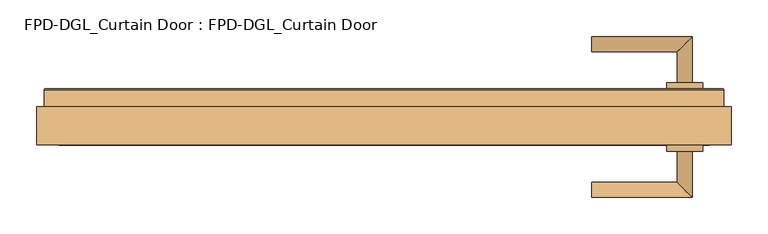
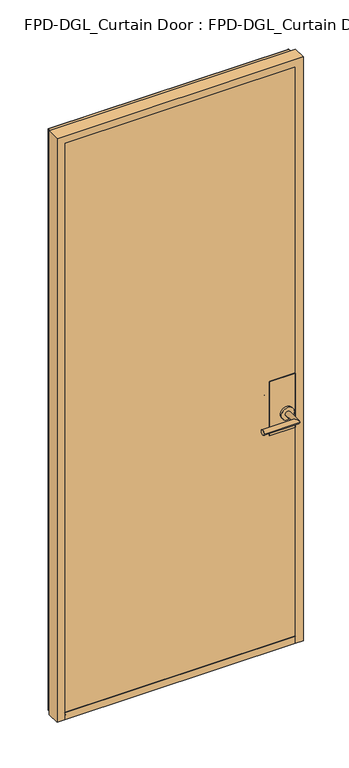
"""IFC4 building model written with IfcOpenShell, lengths in millimetres: door geometry, FPD-DGL_Curtain Door : FPD-DGL_Curtain Door."""

from ifc_helpers import new_model, si_unit, point, frame, frame_2d, origin, place, context, project, spatial, polyline, circle_curve, ellipse_curve, trimmed, segment, composite_curve, outline, extrude, source, transform, mapped, element, save
from ifc_brep_helpers import plane_surface, cylinder_surface, revolved_surface, advanced_brep


def fpd_dgl_curtain_door_fpd_dgl_curtain_door_65e005be(model_context):
    return source(origin(), model_context, "Body", "SolidModel", [
        advanced_brep(
        [(282.7015793, 89.1684274, 965.2), (282.7015793, 109.240371, 965.2), (399.5512198, 89.1684274, 965.2), (419.6231634, 109.240371, 965.2), (399.5512198, 46.5341787, 965.2), (419.6231634, 46.5341787, 965.2)],
        [
            (0, 1, circle_curve(frame((282.7015793, 99.2043992, 965.2), z_axis=(-1.0, 0.0, 0.0), x_axis=(0.0, 1.0, 0.0)), 10.0359718)),
            (1, 0, circle_curve(frame((282.7015793, 99.2043992, 965.2), z_axis=(-1.0, 0.0, 0.0), x_axis=(0.0, 1.0, 0.0)), 10.0359718)),
            (0, 2),
            (2, 3, ellipse_curve(frame((409.5871916, 99.2043992, 965.2), z_axis=(-0.7071067811865464, 0.7071067811865488, 0.0), x_axis=(-0.7071067811865487, -0.7071067811865464, 0.0)), 14.1930074, 10.0359718)),
            (3, 1),
            (3, 2, ellipse_curve(frame((409.5871916, 99.2043992, 965.2), z_axis=(-0.7071067811865464, 0.7071067811865488, 0.0), x_axis=(-0.7071067811865487, -0.7071067811865464, 0.0)), 14.1930074, 10.0359718)),
            (4, 5, circle_curve(frame((409.5871916, 46.5341787, 965.2), z_axis=(0.0, -1.0, 0.0), x_axis=(1.0, 0.0, 0.0)), 10.0359718)),
            (5, 4, circle_curve(frame((409.5871916, 46.5341787, 965.2), z_axis=(0.0, -1.0, 0.0), x_axis=(1.0, 0.0, 0.0)), 10.0359718)),
            (2, 4),
            (5, 3),
        ],
        [
            plane_surface(frame((282.7015793, 99.2043992, 965.2), z_axis=(-1.0, 0.0, 0.0), x_axis=(0.0, 0.0, 1.0))),
            cylinder_surface(frame((282.7015793, 99.2043992, 965.2), z_axis=(-1.0, 0.0, 0.0), x_axis=(0.0, 1.0, 0.0)), 10.0359718),
            plane_surface(frame((409.5871916, 46.5341787, 965.2), z_axis=(0.0, -1.0, 0.0), x_axis=(0.0, 0.0, 1.0))),
            cylinder_surface(frame((409.5871916, 99.2043992, 965.2), z_axis=(0.0, 1.0, 0.0), x_axis=(1.0, 0.0, 0.0)), 10.0359718),
        ],
        [
            (0, [[1, 2]]),
            (1, [[-1, 3, 4, 5]]),
            (1, [[-2, -5, 6, -3]]),
            (2, [[7, 8]]),
            (3, [[-4, 9, -8, 10]]),
            (3, [[-6, -10, -7, -9]]),
        ],
    ),
        advanced_brep(
        [(399.5512198, -46.3299066, 965.2), (419.6231634, -46.3299066, 965.2), (399.5512198, -88.9641553, 965.2), (419.6231634, -109.0360989, 965.2), (282.7015793, -88.9641553, 965.2), (282.7015793, -109.0360989, 965.2)],
        [
            (0, 1, circle_curve(frame((409.5871916, -46.3299066, 965.2), z_axis=(0.0, 1.0, 0.0), x_axis=(1.0, 0.0, 0.0)), 10.0359718)),
            (1, 0, circle_curve(frame((409.5871916, -46.3299066, 965.2), z_axis=(0.0, 1.0, 0.0), x_axis=(1.0, 0.0, 0.0)), 10.0359718)),
            (0, 2),
            (2, 3, ellipse_curve(frame((409.5871916, -99.0001271, 965.2), z_axis=(0.7071067811865487, 0.7071067811865464, 0.0), x_axis=(-0.7071067811865464, 0.7071067811865487, 0.0)), 14.1930074, 10.0359718)),
            (3, 1),
            (3, 2, ellipse_curve(frame((409.5871916, -99.0001271, 965.2), z_axis=(0.7071067811865487, 0.7071067811865464, 0.0), x_axis=(-0.7071067811865464, 0.7071067811865487, 0.0)), 14.1930074, 10.0359718)),
            (4, 5, circle_curve(frame((282.7015793, -99.0001271, 965.2), z_axis=(-1.0, 0.0, 0.0), x_axis=(0.0, -1.0, 0.0)), 10.0359718)),
            (5, 4, circle_curve(frame((282.7015793, -99.0001271, 965.2), z_axis=(-1.0, 0.0, 0.0), x_axis=(0.0, -1.0, 0.0)), 10.0359718)),
            (2, 4),
            (5, 3),
        ],
        [
            plane_surface(frame((409.5871916, -46.3299066, 965.2), z_axis=(0.0, 1.0, 0.0), x_axis=(0.0, 0.0, 1.0))),
            cylinder_surface(frame((409.5871916, -46.3299066, 965.2), z_axis=(0.0, 1.0, 0.0), x_axis=(1.0, 0.0, 0.0)), 10.0359718),
            plane_surface(frame((282.7015793, -99.0001271, 965.2), z_axis=(-1.0, 0.0, 0.0), x_axis=(0.0, 0.0, 1.0))),
            cylinder_surface(frame((409.5871916, -99.0001271, 965.2), z_axis=(1.0, 0.0, 0.0), x_axis=(0.0, -1.0, 0.0)), 10.0359718),
        ],
        [
            (0, [[1, 2]]),
            (1, [[-1, 3, 4, 5]]),
            (1, [[-2, -5, 6, -3]]),
            (2, [[7, 8]]),
            (3, [[-4, 9, -8, 10]]),
            (3, [[-6, -10, -7, -9]]),
        ],
    ),
        extrude(outline(composite_curve([segment(trimmed(circle_curve(frame_2d((965.2, 409.5871916)), 24.60625), [point((965.2, 384.9809416))], [point((965.2, 434.1934416))], False, "CARTESIAN"), True, "CONTINUOUS"), segment(trimmed(circle_curve(frame_2d((965.2, 409.5871916)), 24.60625), [point((965.2, 434.1934416))], [point((965.2, 384.9809416))], False, "CARTESIAN"), True, "CONTINUOUS")], self_intersect=False)), frame((0.0, -46.3299066, 0.0), z_axis=(0.0, 1.0, 0.0), x_axis=(0.0, 0.0, 1.0)), (0.0, 0.0, 1.0), 8.3298107),
        extrude(outline(composite_curve([segment(trimmed(circle_curve(frame_2d((965.2, 409.5871916)), 24.60625), [point((965.2, 384.9809416))], [point((965.2, 434.1934416))], False, "CARTESIAN"), True, "CONTINUOUS"), segment(trimmed(circle_curve(frame_2d((965.2, 409.5871916)), 24.60625), [point((965.2, 434.1934416))], [point((965.2, 384.9809416))], False, "CARTESIAN"), True, "CONTINUOUS")], self_intersect=False)), frame((0.0, 38.1999024, 0.0), z_axis=(0.0, 1.0, 0.0), x_axis=(0.0, 0.0, 1.0)), (0.0, 0.0, 1.0), 8.3342763),
        extrude(outline(polyline([(443.0872515, -38.0000959), (343.0871389, -38.0000959), (343.0871389, -36.6000989), (443.0872515, -36.6000989), (443.0872515, -38.0000959)])), frame((0.0, 0.0, 893.55), z_axis=(0.0, 0.0, 1.0), x_axis=(1.0, 0.0, 0.0)), (0.0, 0.0, 1.0), 220.0),
        extrude(outline(polyline([(443.0872515, 36.7999054), (343.0871389, 36.7999054), (343.0871389, 38.1999024), (443.0872515, 38.1999024), (443.0872515, 36.7999054)])), frame((0.0, 0.0, 893.55), z_axis=(0.0, 0.0, 1.0), x_axis=(1.0, 0.0, 0.0)), (0.0, 0.0, 1.0), 220.0),
        extrude(outline(polyline([(-453.6834226, 28.1030481), (-453.6834226, 36.7999054), (453.6834226, 36.7999054), (453.6834226, 28.1030481), (-453.6834226, 28.1030481)])), frame((0.0, 0.0, 35.2749614), z_axis=(0.0, 0.0, 1.0), x_axis=(1.0, 0.0, 0.0)), (0.0, 0.0, 1.0), 2331.3372342),
        extrude(outline(polyline([(453.6834226, -28.0762398), (453.6834226, -36.7730971), (-453.6834226, -36.7730971), (-453.6834226, -28.0762398), (453.6834226, -28.0762398)])), frame((0.0, 0.0, 35.2749614), z_axis=(0.0, 0.0, 1.0), x_axis=(1.0, 0.0, 0.0)), (0.0, 0.0, 1.0), 2331.3372342),
        advanced_brep(
        [(473.076415, -38.0731917, 15.875), (443.0872515, -38.0731917, 15.875), (443.0872515, -36.773661, 15.875), (453.6834228, -36.773661, 15.875), (453.6834228, -28.076804, 15.875), (443.0872515, -28.076804, 15.875), (443.0872515, 28.1030481, 15.875), (453.6834226, 28.1030481, 15.875), (453.6834226, 36.7999054, 15.875), (443.0872515, 36.7999054, 15.875), (443.0872515, 38.0994357, 15.875), (461.9620416, 38.0994357, 15.875), (462.7617527, 37.2997247, 15.875), (462.7617527, 13.9501736, 15.875), (473.076415, 13.9501736, 15.875), (473.076415, -38.0731917, 2386.0051878), (-473.076415, -38.0731917, 2386.0051878), (-473.076415, -38.0731917, 15.875), (-443.0872515, -38.0731917, 15.875), (-443.0872515, -38.0731917, 2356.0160244), (443.0872515, -38.0731917, 2356.0160244), (443.0872515, -36.773661, 2356.0160244), (-443.0872515, -36.773661, 2356.0160244), (-443.0872515, -36.773661, 15.875), (-453.6834228, -36.773661, 15.875), (-453.6834228, -36.773661, 2366.6121956), (453.6834228, -36.773661, 2366.6121956), (453.6834228, -28.076804, 2366.6121956), (-453.6834228, -28.076804, 2366.6121956), (-453.6834228, -28.076804, 15.875), (-443.0872515, -28.076804, 15.875), (-443.0872515, -28.076804, 2356.0160244), (443.0872515, -28.076804, 2356.0160244), (443.0872515, 28.1030481, 2356.0160244), (-443.0872515, 28.1030481, 2356.0160244), (-443.0872515, 28.1030481, 15.875), (-453.6834226, 28.1030481, 15.875), (-453.6834226, 28.1030481, 2366.6121955), (453.6834226, 28.1030481, 2366.6121955), (453.6834226, 36.7999054, 2366.6121955), (-453.6834226, 36.7999054, 2366.6121955), (-453.6834226, 36.7999054, 15.875), (-443.0872515, 36.7999054, 15.875), (-443.0872515, 36.7999054, 2356.0160244), (443.0872515, 36.7999054, 2356.0160244), (443.0872515, 38.0994357, 2356.0160244), (-443.0872515, 38.0994357, 2356.0160244), (-443.0872515, 38.0994357, 15.875), (-461.9620416, 38.0994357, 15.875), (-461.9620416, 38.0994357, 2374.8908145), (461.9620416, 38.0994357, 2374.8908145), (462.7617527, 37.2997247, 2375.6905255), (462.7617527, 13.9501736, 2375.6905255), (-462.7617527, 13.9501736, 2375.6905255), (-462.7617527, 13.9501736, 15.875), (-473.076415, 13.9501736, 15.875), (-473.076415, 13.9501736, 2386.0051878), (473.076415, 13.9501736, 2386.0051878), (-462.7617527, 37.2997247, 15.875), (-462.7617527, 37.2997247, 2375.6905255)],
        [
            (0, 1),
            (1, 2),
            (2, 3),
            (3, 4),
            (4, 5),
            (5, 6),
            (6, 7),
            (7, 8),
            (8, 9),
            (9, 10),
            (10, 11),
            (11, 12, circle_curve(frame((461.9620416, 37.2997247, 15.875), z_axis=(0.0, 0.0, -1.0), x_axis=(0.0, -1.0, 0.0)), 0.799711)),
            (12, 13),
            (13, 14),
            (14, 0),
            (0, 15),
            (15, 16),
            (16, 17),
            (17, 18),
            (18, 19),
            (19, 20),
            (20, 1),
            (20, 21),
            (21, 2),
            (21, 22),
            (22, 23),
            (23, 24),
            (24, 25),
            (25, 26),
            (26, 3),
            (26, 27),
            (27, 4),
            (27, 28),
            (28, 29),
            (29, 30),
            (30, 31),
            (31, 32),
            (32, 5),
            (32, 33),
            (33, 6),
            (33, 34),
            (34, 35),
            (35, 36),
            (36, 37),
            (37, 38),
            (38, 7),
            (38, 39),
            (39, 8),
            (39, 40),
            (40, 41),
            (41, 42),
            (42, 43),
            (43, 44),
            (44, 9),
            (44, 45),
            (45, 10),
            (45, 46),
            (46, 47),
            (47, 48),
            (48, 49),
            (49, 50),
            (50, 11),
            (50, 51, ellipse_curve(frame((461.9620416, 37.2997247, 2374.8908145), z_axis=(0.7071067811865475, 0.0, -0.7071067811865475), x_axis=(-0.7071067811865474, 0.0, -0.7071067811865476)), 1.1309622, 0.799711)),
            (51, 12),
            (51, 52),
            (52, 13),
            (52, 53),
            (53, 54),
            (54, 55),
            (55, 56),
            (56, 57),
            (57, 14),
            (57, 15),
            (16, 56),
            (55, 17),
            (54, 58),
            (58, 48, circle_curve(frame((-461.9620416, 37.2997247, 15.875), z_axis=(0.0, 0.0, -1.0), x_axis=(0.0, -1.0, 0.0)), 0.799711)),
            (47, 42),
            (41, 36),
            (35, 30),
            (29, 24),
            (23, 18),
            (22, 19),
            (28, 25),
            (34, 31),
            (40, 37),
            (46, 43),
            (59, 49, ellipse_curve(frame((-461.9620416, 37.2997247, 2374.8908145), z_axis=(-0.7071067811865475, 0.0, -0.7071067811865475), x_axis=(-0.7071067811865474, 0.0, 0.7071067811865476)), 1.1309622, 0.799711)),
            (58, 59),
            (53, 59),
            (59, 51),
        ],
        [
            plane_surface(frame((473.076415, 0.0134041, 15.875), z_axis=(0.0, 0.0, -1.0), x_axis=(0.0, -1.0, 0.0))),
            plane_surface(frame((473.076415, -38.0731917, 15.875), z_axis=(0.0, -1.0, 0.0), x_axis=(0.0, 0.0, 1.0))),
            plane_surface(frame((443.0872515, -38.0731917, 15.875), z_axis=(-1.0, 0.0, 0.0), x_axis=(0.0, 0.0, 1.0))),
            plane_surface(frame((443.0872515, -36.773661, 15.875), z_axis=(0.0, 1.0, 0.0), x_axis=(0.0, 0.0, 1.0))),
            plane_surface(frame((453.6834228, -36.773661, 15.875), z_axis=(-1.0, 0.0, 0.0), x_axis=(0.0, 0.0, 1.0))),
            plane_surface(frame((453.6834228, -28.076804, 15.875), z_axis=(0.0, -1.0, 0.0), x_axis=(0.0, 0.0, 1.0))),
            plane_surface(frame((443.0872515, -28.076804, 15.875), z_axis=(-1.0, 0.0, 0.0), x_axis=(0.0, 0.0, 1.0))),
            plane_surface(frame((443.0872515, 28.1030481, 15.875), z_axis=(0.0, 1.0, 0.0), x_axis=(0.0, 0.0, 1.0))),
            plane_surface(frame((453.6834226, 28.1030481, 15.875), z_axis=(-1.0, 0.0, 0.0), x_axis=(0.0, 0.0, 1.0))),
            plane_surface(frame((453.6834226, 36.7999054, 15.875), z_axis=(0.0, -1.0, 0.0), x_axis=(0.0, 0.0, 1.0))),
            plane_surface(frame((443.0872515, 36.7999054, 15.875), z_axis=(-1.0, 0.0, 0.0), x_axis=(0.0, 0.0, 1.0))),
            plane_surface(frame((443.0872515, 38.0994357, 15.875), z_axis=(0.0, 1.0, 0.0), x_axis=(0.0, 0.0, 1.0))),
            cylinder_surface(frame((461.9620416, 37.2997247, 15.875), z_axis=(0.0, 0.0, -1.0), x_axis=(0.0, -1.0, 0.0)), 0.799711),
            plane_surface(frame((462.7617527, 37.2997247, 15.875), z_axis=(1.0, 0.0, 0.0), x_axis=(0.0, 0.0, 1.0))),
            plane_surface(frame((462.7617527, 13.9501736, 15.875), z_axis=(0.0, 1.0, 0.0), x_axis=(0.0, 0.0, 1.0))),
            plane_surface(frame((473.076415, 13.9501736, 15.875), z_axis=(1.0, 0.0, 0.0), x_axis=(0.0, 0.0, 1.0))),
            plane_surface(frame((-473.076415, 13.9501736, 2386.0051878), z_axis=(-1.0, 0.0, 0.0), x_axis=(0.0, 0.0, -1.0))),
            plane_surface(frame((-473.076415, 0.0134041, 15.875), z_axis=(0.0, 0.0, -1.0), x_axis=(0.0, -1.0, 0.0))),
            plane_surface(frame((-443.0872515, -38.0731917, 2356.0160244), z_axis=(1.0, 0.0, 0.0), x_axis=(0.0, 0.0, -1.0))),
            plane_surface(frame((-453.6834228, -36.773661, 2366.6121956), z_axis=(1.0, 0.0, 0.0), x_axis=(0.0, 0.0, -1.0))),
            plane_surface(frame((-443.0872515, -28.076804, 2356.0160244), z_axis=(1.0, 0.0, 0.0), x_axis=(0.0, 0.0, -1.0))),
            plane_surface(frame((-453.6834226, 28.1030481, 2366.6121955), z_axis=(1.0, 0.0, 0.0), x_axis=(0.0, 0.0, -1.0))),
            plane_surface(frame((-443.0872515, 36.7999054, 2356.0160244), z_axis=(1.0, 0.0, 0.0), x_axis=(0.0, 0.0, -1.0))),
            cylinder_surface(frame((-461.9620416, 37.2997247, 2386.0051878), z_axis=(0.0, 0.0, 1.0), x_axis=(0.0, -1.0, 0.0)), 0.799711),
            plane_surface(frame((-462.7617527, 37.2997247, 2375.6905255), z_axis=(-1.0, 0.0, 0.0), x_axis=(0.0, 0.0, -1.0))),
            plane_surface(frame((443.0872515, -38.0731917, 2356.0160244), z_axis=(0.0, 0.0, -1.0), x_axis=(-1.0, 0.0, 0.0))),
            plane_surface(frame((453.6834228, -36.773661, 2366.6121956), z_axis=(0.0, 0.0, -1.0), x_axis=(-1.0, 0.0, 0.0))),
            plane_surface(frame((443.0872515, -28.076804, 2356.0160244), z_axis=(0.0, 0.0, -1.0), x_axis=(-1.0, 0.0, 0.0))),
            plane_surface(frame((453.6834226, 28.1030481, 2366.6121955), z_axis=(0.0, 0.0, -1.0), x_axis=(-1.0, 0.0, 0.0))),
            plane_surface(frame((443.0872515, 36.7999054, 2356.0160244), z_axis=(0.0, 0.0, -1.0), x_axis=(-1.0, 0.0, 0.0))),
            cylinder_surface(frame((473.076415, 37.2997247, 2374.8908145), z_axis=(1.0, 0.0, 0.0), x_axis=(0.0, -1.0, 0.0)), 0.799711),
            plane_surface(frame((462.7617527, 37.2997247, 2375.6905255), z_axis=(0.0, 0.0, 1.0), x_axis=(-1.0, 0.0, 0.0))),
            plane_surface(frame((473.076415, 13.9501736, 2386.0051878), z_axis=(0.0, 0.0, 1.0), x_axis=(-1.0, 0.0, 0.0))),
        ],
        [
            (0, [[1, 2, 3, 4, 5, 6, 7, 8, 9, 10, 11, 12, 13, 14, 15]]),
            (1, [[-1, 16, 17, 18, 19, 20, 21, 22]]),
            (2, [[-2, -22, 23, 24]]),
            (3, [[-3, -24, 25, 26, 27, 28, 29, 30]]),
            (4, [[-4, -30, 31, 32]]),
            (5, [[-5, -32, 33, 34, 35, 36, 37, 38]]),
            (6, [[-6, -38, 39, 40]]),
            (7, [[-7, -40, 41, 42, 43, 44, 45, 46]]),
            (8, [[-8, -46, 47, 48]]),
            (9, [[-9, -48, 49, 50, 51, 52, 53, 54]]),
            (10, [[-10, -54, 55, 56]]),
            (11, [[-11, -56, 57, 58, 59, 60, 61, 62]]),
            (12, [[-12, -62, 63, 64]]),
            (13, [[-13, -64, 65, 66]]),
            (14, [[-14, -66, 67, 68, 69, 70, 71, 72]]),
            (15, [[-15, -72, 73, -16]]),
            (16, [[74, -70, 75, -18]]),
            (17, [[-75, -69, 76, 77, -59, 78, -51, 79, -43, 80, -35, 81, -27, 82, -19]]),
            (18, [[83, -20, -82, -26]]),
            (19, [[84, -28, -81, -34]]),
            (20, [[85, -36, -80, -42]]),
            (21, [[86, -44, -79, -50]]),
            (22, [[87, -52, -78, -58]]),
            (23, [[88, -60, -77, 89]]),
            (24, [[90, -89, -76, -68]]),
            (25, [[-23, -21, -83, -25]]),
            (26, [[-31, -29, -84, -33]]),
            (27, [[-39, -37, -85, -41]]),
            (28, [[-47, -45, -86, -49]]),
            (29, [[-55, -53, -87, -57]]),
            (30, [[-63, -61, -88, 91]]),
            (31, [[-65, -91, -90, -67]]),
            (32, [[-73, -71, -74, -17]]),
        ],
    ),
        advanced_brep(
        [(443.0872515, 28.127892, 45.8749402), (443.0872515, -28.0721576, 45.8749402), (443.0872515, -28.0721576, 35.2749614), (443.0872515, -36.2721409, 35.2749614), (443.0872515, -36.7721399, 35.7749604), (443.0872515, -36.7721402, 43.0952793), (443.0872515, -36.6721405, 44.0749436), (443.0872515, -36.6721405, 45.8749402), (443.0872515, -38.0721375, 45.8749402), (443.0872515, -38.0721375, 15.875), (443.0872515, 37.3278641, 15.875), (443.0872515, 38.1278625, 16.6749984), (443.0872515, 38.1278625, 45.8749402), (443.0872515, 36.7278654, 45.8749402), (443.0872515, 36.7278654, 44.0749434), (443.0872515, 36.8278651, 43.0952791), (443.0872515, 36.8278651, 35.2749613), (443.0872515, 28.127892, 35.2749613), (-443.3646726, 28.127892, 45.8749402), (-443.3646726, 28.127892, 35.2749613), (-443.3646726, 36.8278651, 35.2749613), (-443.3646726, 36.8278651, 43.0952791), (-443.3646726, 36.7278654, 44.0749434), (-443.3646726, 36.7278654, 45.8749402), (-443.3646726, 38.1278625, 45.8749402), (-443.3646726, 38.1278625, 16.6749984), (-443.3646726, 37.3278641, 15.875), (-443.3646726, -38.0721375, 15.875), (-443.3646726, -38.0721375, 45.8749402), (-443.3646726, -36.6721405, 45.8749402), (-443.3646726, -36.6721405, 44.0749436), (-443.3646726, -36.7721402, 43.0952793), (-443.3646726, -36.7721402, 35.7749604), (-443.3646726, -36.2721409, 35.2749614), (-443.3646726, -28.0721576, 35.2749614), (-443.3646726, -28.0721576, 45.8749402)],
        [
            (0, 1),
            (1, 2),
            (2, 3),
            (3, 4, circle_curve(frame((443.0872515, -36.2721409, 35.7749604), z_axis=(-1.0, 0.0, 0.0), x_axis=(0.0, 0.0, -1.0)), 0.499999)),
            (4, 5),
            (5, 6),
            (6, 7),
            (7, 8),
            (8, 9),
            (9, 10),
            (10, 11, circle_curve(frame((443.0872515, 37.3278641, 16.6749984), z_axis=(1.0, 0.0, 0.0), x_axis=(0.0, 0.0, -1.0)), 0.7999984)),
            (11, 12),
            (12, 13),
            (13, 14),
            (14, 15),
            (15, 16),
            (16, 17),
            (17, 0),
            (18, 19),
            (19, 20),
            (20, 21),
            (21, 22),
            (22, 23),
            (23, 24),
            (24, 25),
            (25, 26, circle_curve(frame((-443.3646726, 37.3278641, 16.6749984), z_axis=(-1.0, 0.0, 0.0), x_axis=(0.0, 0.0, -1.0)), 0.7999984)),
            (26, 27),
            (27, 28),
            (28, 29),
            (29, 30),
            (30, 31),
            (31, 32),
            (32, 33, circle_curve(frame((-443.3646726, -36.2721409, 35.7749604), z_axis=(1.0, 0.0, 0.0), x_axis=(0.0, 0.0, -1.0)), 0.499999)),
            (33, 34),
            (34, 35),
            (35, 18),
            (0, 18),
            (35, 1),
            (34, 2),
            (33, 3),
            (32, 4),
            (31, 5),
            (30, 6),
            (29, 7),
            (28, 8),
            (27, 9),
            (26, 10),
            (25, 11),
            (24, 12),
            (23, 13),
            (22, 14),
            (21, 15),
            (20, 16),
            (19, 17),
        ],
        [
            plane_surface(frame((443.0872515, 0.0134041, 15.875), z_axis=(1.0, 0.0, 0.0), x_axis=(0.0, -1.0, 0.0))),
            plane_surface(frame((-443.3646726, 0.0134041, 15.875), z_axis=(-1.0, 0.0, 0.0), x_axis=(0.0, -1.0, 0.0))),
            plane_surface(frame((443.0872515, 28.127892, 45.8749402), z_axis=(0.0, 0.0, 1.0), x_axis=(-1.0, 0.0, 0.0))),
            plane_surface(frame((443.0872515, -28.0721576, 45.8749402), z_axis=(0.0, -1.0, 0.0), x_axis=(-1.0, 0.0, 0.0))),
            plane_surface(frame((443.0872515, -28.0721576, 35.2749614), z_axis=(0.0, 0.0, 1.0), x_axis=(-1.0, 0.0, 0.0))),
            revolved_surface(polyline([(-443.36467260000006, -36.2721409, 35.274961399999995), (443.0872515, -36.2721409, 35.274961399999995)]), (443.0872515, -36.2721409, 35.7749604), (-1.0, 0.0, 0.0)),
            plane_surface(frame((443.0872515, -36.7721402, 35.7749604), z_axis=(0.0, 1.0, 0.0), x_axis=(-1.0, 0.0, 0.0))),
            plane_surface(frame((443.0872515, -36.7721402, 43.0952793), z_axis=(0.0, 0.9948306566600448, -0.10154784374541988), x_axis=(-1.0, 0.0, 0.0))),
            plane_surface(frame((443.0872515, -36.6721405, 44.0749436), z_axis=(0.0, 1.0, 0.0), x_axis=(-1.0, 0.0, 0.0))),
            plane_surface(frame((443.0872515, -36.6721405, 45.8749402), z_axis=(0.0, 0.0, 1.0), x_axis=(-1.0, 0.0, 0.0))),
            plane_surface(frame((443.0872515, -38.0721375, 45.8749402), z_axis=(0.0, -1.0, 0.0), x_axis=(-1.0, 0.0, 0.0))),
            plane_surface(frame((443.0872515, -38.0721375, 15.875), z_axis=(0.0, 0.0, -1.0), x_axis=(-1.0, 0.0, 0.0))),
            cylinder_surface(frame((443.0872515, 37.3278641, 16.6749984), z_axis=(1.0, 0.0, 0.0), x_axis=(0.0, 0.0, -1.0)), 0.7999984),
            plane_surface(frame((443.0872515, 38.1278625, 16.6749984), z_axis=(0.0, 1.0, 0.0), x_axis=(-1.0, 0.0, 0.0))),
            plane_surface(frame((443.0872515, 38.1278625, 45.8749402), z_axis=(0.0, 0.0, 1.0), x_axis=(-1.0, 0.0, 0.0))),
            plane_surface(frame((443.0872515, 36.7278654, 45.8749402), z_axis=(0.0, -1.0, 0.0), x_axis=(-1.0, 0.0, 0.0))),
            plane_surface(frame((443.0872515, 36.7278654, 44.0749434), z_axis=(0.0, -0.9948306566625575, -0.10154784372080249), x_axis=(-1.0, 0.0, 0.0))),
            plane_surface(frame((443.0872515, 36.8278651, 43.0952791), z_axis=(0.0, -1.0, 0.0), x_axis=(-1.0, 0.0, 0.0))),
            plane_surface(frame((443.0872515, 36.8278651, 35.2749613), z_axis=(0.0, 0.0, 1.0), x_axis=(-1.0, 0.0, 0.0))),
            plane_surface(frame((443.0872515, 28.127892, 35.2749613), z_axis=(0.0, 1.0, 0.0), x_axis=(-1.0, 0.0, 0.0))),
        ],
        [
            (0, [[1, 2, 3, 4, 5, 6, 7, 8, 9, 10, 11, 12, 13, 14, 15, 16, 17, 18]]),
            (1, [[19, 20, 21, 22, 23, 24, 25, 26, 27, 28, 29, 30, 31, 32, 33, 34, 35, 36]]),
            (2, [[-1, 37, -36, 38]]),
            (3, [[-2, -38, -35, 39]]),
            (4, [[-3, -39, -34, 40]]),
            (5, [[-4, -40, -33, 41]]),
            (6, [[-5, -41, -32, 42]]),
            (7, [[-6, -42, -31, 43]]),
            (8, [[-7, -43, -30, 44]]),
            (9, [[-8, -44, -29, 45]]),
            (10, [[-9, -45, -28, 46]]),
            (11, [[-10, -46, -27, 47]]),
            (12, [[-11, -47, -26, 48]]),
            (13, [[-12, -48, -25, 49]]),
            (14, [[-13, -49, -24, 50]]),
            (15, [[-14, -50, -23, 51]]),
            (16, [[-15, -51, -22, 52]]),
            (17, [[-16, -52, -21, 53]]),
            (18, [[-17, -53, -20, 54]]),
            (19, [[-18, -54, -19, -37]]),
        ],
    ),
    ])


if __name__ == "__main__":
    model = new_model("IFC4")
    model_context = context("Model", 3, world=origin())
    ifc_project = project(units=[si_unit("LENGTHUNIT", "METRE", prefix="MILLI")], contexts=[model_context])
    site = spatial("IfcSite", under=ifc_project)
    building = spatial("IfcBuilding", under=site)
    placement = place(None, origin())
    fpd_dgl_curtain_door_fpd_dgl_curtain_door_shape = fpd_dgl_curtain_door_fpd_dgl_curtain_door_65e005be(model_context)
    element("IfcDoor", 1, ObjectType="FPD-DGL_Curtain Door : FPD-DGL_Curtain Door", at=placement, inside=building, context=model_context, shape_type="MappedRepresentation", body=[
        mapped(fpd_dgl_curtain_door_fpd_dgl_curtain_door_shape, transform((0.0, 0.0, 0.0), x_axis=(1.0, 0.0, 0.0), y_axis=(0.0, 1.0, 0.0), z_axis=(0.0, 0.0, 1.0))),
    ])
    save(model, "model.ifc")
